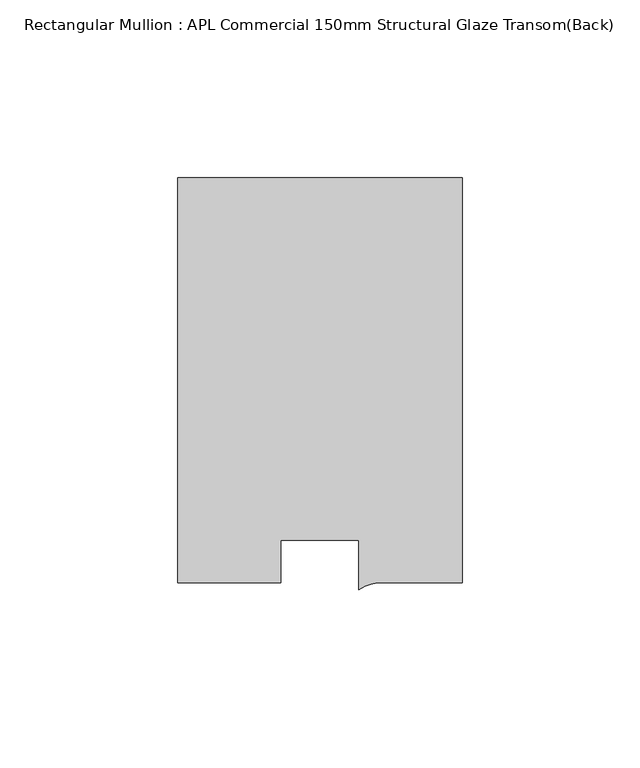
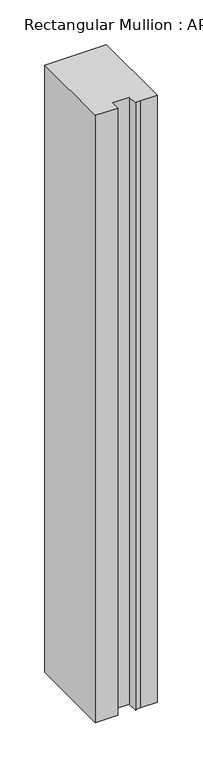
"""IFC4 building model written with IfcOpenShell, lengths in millimetres: member geometry, Rectangular Mullion : APL Commercial 150mm Structural Glaze Transom(Back)."""

from ifc_helpers import new_model, si_unit, point, frame, frame_2d, origin, place, context, project, spatial, polyline, circle_curve, trimmed, segment, composite_curve, outline, extrude, source, transform, mapped, element, save


def rectangular_mullion_apl_commercial_150mm_structural_glaze_6ab12d47(model_context):
    return source(origin(), model_context, "Body", "SweptSolid", [
        extrude(outline(composite_curve([segment(polyline([(40.0, 128.9999975), (40.0, 15.0000829), (17.9999542, 15.0000829)]), True, "CONTINUOUS"), segment(trimmed(circle_curve(frame_2d((17.1097719, 4.581653)), 10.4563907), [point((17.9999542, 15.0000829))], [point((11.0000151, 13.0673455))], True, "CARTESIAN"), True, "CONTINUOUS"), segment(polyline([(11.0000151, 13.0673455), (11.0000151, 27.0), (-11.0000151, 27.0), (-11.0000151, 15.0000829), (-40.0, 15.0000829), (-40.0, 128.9999975), (40.0, 128.9999975)]), True, "CONTINUOUS")], self_intersect=False)), frame((0.0, 0.0, -831.6848401), z_axis=(0.0, 0.0, 1.0), x_axis=(1.0, 0.0, 0.0)), (0.0, 0.0, 1.0), 831.6848401),
    ])


if __name__ == "__main__":
    model = new_model("IFC4")
    model_context = context("Model", 3, world=origin())
    ifc_project = project(units=[si_unit("LENGTHUNIT", "METRE", prefix="MILLI")], contexts=[model_context])
    site = spatial("IfcSite", under=ifc_project)
    building = spatial("IfcBuilding", under=site)
    placement = place(None, origin())
    rectangular_mullion_apl_commercial_150mm_structural_glaze_shape = rectangular_mullion_apl_commercial_150mm_structural_glaze_6ab12d47(model_context)
    element("IfcMember", 1, ObjectType="Rectangular Mullion : APL Commercial 150mm Structural Glaze Transom(Back)", at=placement, inside=building, context=model_context, shape_type="MappedRepresentation", body=[
        mapped(rectangular_mullion_apl_commercial_150mm_structural_glaze_shape, transform((0.0, 0.0, 0.0), x_axis=(1.0, 0.0, 0.0), y_axis=(0.0, 1.0, 0.0), z_axis=(0.0, 0.0, 1.0))),
    ])
    save(model, "model.ifc")
